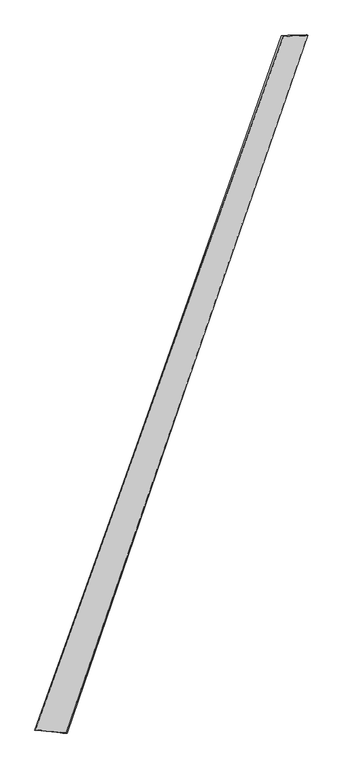
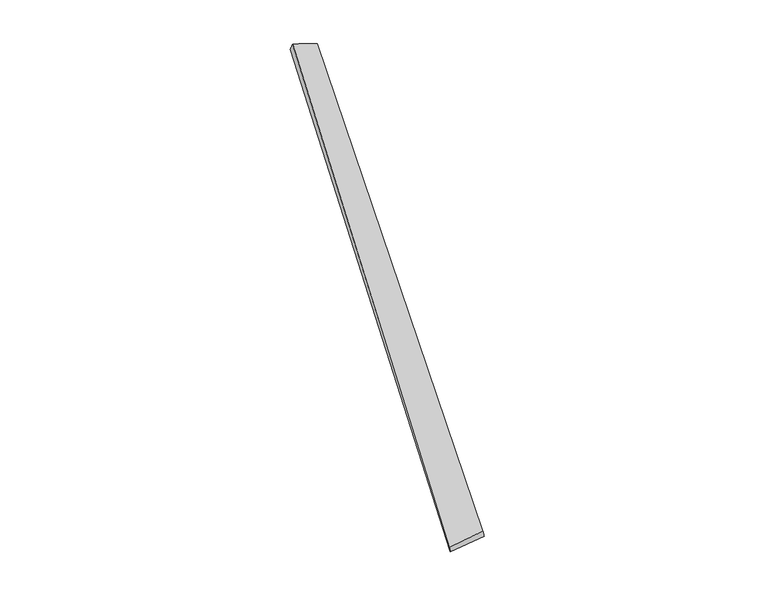
"""IFC4 building model written with IfcOpenShell, lengths in millimetres: proxy geometry."""

import ifcopenshell
import ifcopenshell.guid

model = None  # the IFC model being written
_history = None  # IfcOwnerHistory: only IFC2X3 demands one
_inside = {}  # id of a spatial element -> (the spatial element, [elements in it])
_under = {}  # id of a project, library or spatial element -> (it, [spatial elements below it])
_declared = {}  # id of a project -> (the project, [libraries it declares])
_typed = {}  # id of a type object -> (the type object, [elements of that type])
_made_of = {}  # id of a material, layer set ... -> (it, [elements and type objects made of it])


def new_model(schema):
    """Start an empty IFC model of exactly this schema.

    Asked for "IFC4X3", IfcOpenShell would pick the latest addendum, in which some entities
    have other attributes; the version numbers below select the first issue.
    IFC2X3 requires an IfcOwnerHistory on every rooted entity: one is made here for all.
    """
    global model, _history
    if schema == "IFC4X3":
        model = ifcopenshell.file(schema_version=(4, 3, 0, 0))
    else:
        model = ifcopenshell.file(schema=schema)
    _inside.clear()
    _under.clear()
    _declared.clear()
    _typed.clear()
    _made_of.clear()
    _history = None
    if model.schema == "IFC2X3":
        org = make("IfcOrganization", Name="unknown")
        user = make(
            "IfcPersonAndOrganization",
            ThePerson=make("IfcPerson", FamilyName="unknown"),
            TheOrganization=org,
        )
        app = make(
            "IfcApplication",
            ApplicationDeveloper=org,
            Version="unknown",
            ApplicationFullName="unknown",
            ApplicationIdentifier="unknown",
        )
        _history = make(
            "IfcOwnerHistory",
            OwningUser=user,
            OwningApplication=app,
            ChangeAction="ADDED",
            CreationDate=0,
        )
    return model


def make(cls, **values):
    """One entity of the class cls with the attributes given. An attribute that is None is left unset."""
    return model.create_entity(
        cls, **{name: value for name, value in values.items() if value is not None}
    )


def rooted(cls, **values):
    """An entity with a GlobalId (a new one), such as an element, a storey or a relation."""
    return make(cls, GlobalId=ifcopenshell.guid.new(), OwnerHistory=_history, **values)


def si_unit(unit_type, name, prefix=None):
    """IfcSIUnit, for example si_unit("LENGTHUNIT", "METRE", prefix="MILLI")."""
    return make("IfcSIUnit", UnitType=unit_type, Prefix=prefix, Name=name)


def assignment(units):
    """IfcUnitAssignment: the units of a project."""
    return None if units is None else make("IfcUnitAssignment", Units=units)


def point(xyz):
    """IfcCartesianPoint."""
    return None if xyz is None else make("IfcCartesianPoint", Coordinates=xyz)


def direction(xyz):
    """IfcDirection."""
    return None if xyz is None else make("IfcDirection", DirectionRatios=xyz)


def frame(location, z_axis=None, x_axis=None):
    """IfcAxis2Placement3D, a coordinate frame: its origin and axes. An axis left out is left unset."""
    return make(
        "IfcAxis2Placement3D",
        Location=point(location),
        Axis=direction(z_axis),
        RefDirection=direction(x_axis),
    )


def origin():
    """The frame at (0, 0, 0) with its axes left unset."""
    return frame((0.0, 0.0, 0.0))


def place(relative_to, where):
    """IfcLocalPlacement: puts the frame where relative to a parent placement (None: the world)."""
    return make(
        "IfcLocalPlacement", PlacementRelTo=relative_to, RelativePlacement=where
    )


def context(
    kind, dimensions, precision=None, world=None, true_north=None, identifier=None
):
    """IfcGeometricRepresentationContext, for example the 3D "Model" context."""
    return make(
        "IfcGeometricRepresentationContext",
        ContextIdentifier=identifier,
        ContextType=kind,
        CoordinateSpaceDimension=dimensions,
        Precision=precision,
        WorldCoordinateSystem=world,
        TrueNorth=true_north,
    )


def project(units=None, contexts=None):
    """IfcProject with its units and contexts."""
    return rooted(
        "IfcProject",
        Name="project",
        RepresentationContexts=contexts,
        UnitsInContext=assignment(units),
    )


def spatial(cls, under=None, at=None, **own):
    """A site, building, storey or space (cls), placed at a placement, below another one or the project."""
    s = rooted(cls, ObjectPlacement=at, **own)
    if under is not None:
        _under.setdefault(under.id(), (under, []))[1].append(s)
    return s


def shape(context_of_items, identifier, shape_type, items):
    """IfcShapeRepresentation: the items that make up one representation, for example the "Body"."""
    return make(
        "IfcShapeRepresentation",
        ContextOfItems=context_of_items,
        RepresentationIdentifier=identifier,
        RepresentationType=shape_type,
        Items=items,
    )


def source(mapping_origin, context_of_items, identifier, shape_type, items):
    """IfcRepresentationMap: a shape defined once, which mapped items show again and again."""
    return make(
        "IfcRepresentationMap",
        MappingOrigin=mapping_origin,
        MappedRepresentation=shape(context_of_items, identifier, shape_type, items),
    )


def transform(
    local_origin,
    x_axis=None,
    y_axis=None,
    z_axis=None,
    scale=None,
    scale2=None,
    scale3=None,
    uniform=True,
):
    """IfcCartesianTransformationOperator3D, or its non-uniform kind. x_axis, y_axis, z_axis: its Axis1, 2, 3."""
    if uniform:
        return make(
            "IfcCartesianTransformationOperator3D",
            Axis1=direction(x_axis),
            Axis2=direction(y_axis),
            LocalOrigin=point(local_origin),
            Scale=scale,
            Axis3=direction(z_axis),
        )
    return make(
        "IfcCartesianTransformationOperator3DnonUniform",
        Axis1=direction(x_axis),
        Axis2=direction(y_axis),
        LocalOrigin=point(local_origin),
        Scale=scale,
        Axis3=direction(z_axis),
        Scale2=scale2,
        Scale3=scale3,
    )


def mapped(mapping_source, mapping_target):
    """IfcMappedItem: shows the shape of a source again, moved by a transform."""
    return make(
        "IfcMappedItem", MappingSource=mapping_source, MappingTarget=mapping_target
    )


def made_of(thing, what):
    """Note that an element or type object is made of a material, layer set ...; save() writes the relation."""
    if what is not None:
        _made_of.setdefault(what.id(), (what, []))[1].append(thing)
    return thing


def element(
    cls,
    number,
    at=None,
    inside=None,
    cuts=None,
    type_object=None,
    material=None,
    context=None,
    identifier="Body",
    shape_type=None,
    held_by="IfcProductDefinitionShape",
    body=None,
    shapes=None,
    **own,
):
    """One element of the class cls, such as IfcWall. Its Tag is "e" and its number.

    at: its placement. inside: the storey or other place that contains it. cuts: it is an
    opening in that element (IfcRelVoidsElement). A single representation is given by context,
    identifier, shape_type and body (its items); several are given by shapes. held_by: the class
    of the entity that holds the representations. save() writes the other relations.
    """
    e = rooted(cls, Tag="e%d" % number, ObjectPlacement=at, **own)
    if body is not None:
        shapes = [shape(context, identifier, shape_type, body)]
    if shapes is not None:
        e.Representation = make(held_by, Representations=shapes)
    if inside is not None:
        _inside.setdefault(inside.id(), (inside, []))[1].append(e)
    if cuts is not None:
        rooted(
            "IfcRelVoidsElement", RelatingBuildingElement=cuts, RelatedOpeningElement=e
        )
    if type_object is not None:
        _typed.setdefault(type_object.id(), (type_object, []))[1].append(e)
    return made_of(e, material)


def aggregate(whole, parts):
    """IfcRelAggregates: a whole, such as a stair, and the parts it consists of."""
    return rooted("IfcRelAggregates", RelatingObject=whole, RelatedObjects=parts)


def save(model, path):
    """Write the relations noted so far, then the file.

    IfcRelAggregates (storeys below a building ...), IfcRelContainedInSpatialStructure (elements
    in a storey), IfcRelDefinesByType, IfcRelAssociatesMaterial and IfcRelDeclares: one each for
    every whole, place, type object, material and project.
    """
    for whole, parts in _under.values():
        aggregate(whole, parts)
    for where, things in _inside.values():
        rooted(
            "IfcRelContainedInSpatialStructure",
            RelatedElements=things,
            RelatingStructure=where,
        )
    for kind, things in _typed.values():
        rooted("IfcRelDefinesByType", RelatedObjects=things, RelatingType=kind)
    for what, things in _made_of.values():
        rooted("IfcRelAssociatesMaterial", RelatedObjects=things, RelatingMaterial=what)
    for by, libraries in _declared.values():
        rooted("IfcRelDeclares", RelatingContext=by, RelatedDefinitions=libraries)
    model.write(path)


def spline_surface(u_degree, v_degree, points, u_multiplicities, v_multiplicities, u_knots, v_knots, weights=None):
    """IfcBSplineSurfaceWithKnots; with weights, IfcRationalBSplineSurfaceWithKnots. points: one row for each step in u."""
    own = dict(
        UDegree=u_degree,
        VDegree=v_degree,
        ControlPointsList=[[point(p) for p in row] for row in points],
        SurfaceForm="UNSPECIFIED",
        UClosed=False,
        VClosed=False,
        SelfIntersect=False,
        UMultiplicities=u_multiplicities,
        VMultiplicities=v_multiplicities,
        UKnots=u_knots,
        VKnots=v_knots,
        KnotSpec="UNSPECIFIED",
    )
    if weights is None:
        return make("IfcBSplineSurfaceWithKnots", **own)
    return make("IfcRationalBSplineSurfaceWithKnots", WeightsData=weights, **own)


def advanced_brep(points, edges, surfaces, faces):
    """IfcAdvancedBrep: a solid bounded by faces that lie on surfaces and meet in shared edges.

    An edge is (start, end): straight between two places in points (the first is 0);
    or (start, end, curve); or (start, end, curve, False) where it runs against its curve.
    A face is (place in surfaces, loops), or (place, loops, False) where it looks against
    its surface's normal. A loop lists edges by number (the first is 1), with a minus sign
    where the edge is run from its end to its start. The first loop is the outer one.
    """
    corners = [point(p) for p in points]
    vertices = [make("IfcVertexPoint", VertexGeometry=c) for c in corners]
    made = []
    for start, end, *more in edges:
        made.append(
            make(
                "IfcEdgeCurve",
                EdgeStart=vertices[start],
                EdgeEnd=vertices[end],
                EdgeGeometry=more[0] if more else make("IfcPolyline", Points=[corners[start], corners[end]]),
                SameSense=more[1] if len(more) > 1 else True,
            )
        )
    hull = []
    for where, loops, *sense in faces:
        bounds = []
        for j, loop in enumerate(loops):
            ring = [make("IfcOrientedEdge", EdgeElement=made[abs(k) - 1], Orientation=k > 0) for k in loop]
            bounds.append(
                make(
                    "IfcFaceOuterBound" if j == 0 else "IfcFaceBound",
                    Bound=make("IfcEdgeLoop", EdgeList=ring),
                    Orientation=True,
                )
            )
        hull.append(make("IfcAdvancedFace", Bounds=bounds, FaceSurface=surfaces[where], SameSense=sense[0] if sense else True))
    return make("IfcAdvancedBrep", Outer=make("IfcClosedShell", CfsFaces=hull))


def generic_models_733d9000(model_context):
    return source(origin(), model_context, "Body", "AdvancedBrep", [
        advanced_brep(
        [(-716.8233193, -1815.9524089, -19.4468128), (-723.68722, -1813.8469809, 9.6814216), (716.0053173, 2197.3878189, 52.8477401), (705.0746308, 2201.563608, 25.2237853), (-542.7250494, -1829.244394, 48.7691265), (857.8410913, 2203.1154763, 3.4309787), (-537.29638, -1831.4326141, 19.3456454), (849.0450684, 2205.8214151, -25.1226178)],
        [
            (0, 1),
            (1, 2),
            (2, 3),
            (3, 0),
            (1, 4),
            (4, 5),
            (5, 2),
            (4, 6),
            (6, 7),
            (7, 5),
            (6, 0),
            (3, 7),
        ],
        [
            spline_surface(1, 1, [[(-716.8233193, -1815.9524089, -19.4468128), (705.0746308, 2201.563608, 25.2237853)], [(-723.68722, -1813.8469809, 9.6814216), (716.0053173, 2197.3878189, 52.8477401)]], [2, 2], [2, 2], [0.0, 1.0], [0.0, 1.0]),
            spline_surface(1, 1, [[(-723.68722, -1813.8469809, 9.6814216), (716.0053173, 2197.3878189, 52.8477401)], [(-542.7250494, -1829.244394, 48.7691265), (857.8410913, 2203.1154763, 3.4309787)]], [2, 2], [2, 2], [0.0, 1.0], [0.0, 1.0]),
            spline_surface(1, 1, [[(-542.7250494, -1829.244394, 48.7691265), (857.8410913, 2203.1154763, 3.4309787)], [(-537.29638, -1831.4326141, 19.3456454), (849.0450684, 2205.8214151, -25.1226178)]], [2, 2], [2, 2], [0.0, 1.0], [0.0, 1.0]),
            spline_surface(1, 1, [[(-537.29638, -1831.4326141, 19.3456454), (849.0450684, 2205.8214151, -25.1226178)], [(-716.8233193, -1815.9524089, -19.4468128), (705.0746308, 2201.563608, 25.2237853)]], [2, 2], [2, 2], [0.0, 1.0], [0.0, 1.0]),
            spline_surface(1, 1, [[(716.0053173, 2197.3878189, 52.8477401), (705.0746308, 2201.563608, 25.2237853)], [(857.8410913, 2203.1154763, 3.4309787), (849.0450684, 2205.8214151, -25.1226178)]], [2, 2], [2, 2], [0.0, 1.0], [0.0, 1.0]),
            spline_surface(1, 1, [[(-537.29638, -1831.4326141, 19.3456454), (-716.8233193, -1815.9524089, -19.4468128)], [(-542.7250494, -1829.244394, 48.7691265), (-723.68722, -1813.8469809, 9.6814216)]], [2, 2], [2, 2], [0.0, 1.0], [0.0, 1.0]),
        ],
        [
            (0, [[1, 2, 3, 4]]),
            (1, [[5, 6, 7, -2]]),
            (2, [[8, 9, 10, -6]]),
            (3, [[11, -4, 12, -9]]),
            (4, [[-3, -7, -10, -12]]),
            (5, [[-11, -8, -5, -1]]),
        ],
    ),
    ])


if __name__ == "__main__":
    model = new_model("IFC4")
    model_context = context("Model", 3, world=origin())
    ifc_project = project(units=[si_unit("LENGTHUNIT", "METRE", prefix="MILLI")], contexts=[model_context])
    site = spatial("IfcSite", under=ifc_project)
    building = spatial("IfcBuilding", under=site)
    placement = place(None, origin())
    generic_models_shape = generic_models_733d9000(model_context)
    element("IfcBuildingElementProxy", 1, Name="Generic Models", at=placement, inside=building, context=model_context, shape_type="MappedRepresentation", body=[
        mapped(generic_models_shape, transform((0.0, 0.0, 0.0), x_axis=(1.0, 0.0, 0.0), y_axis=(0.0, 1.0, 0.0), z_axis=(0.0, 0.0, 1.0))),
    ])
    save(model, "model.ifc")
